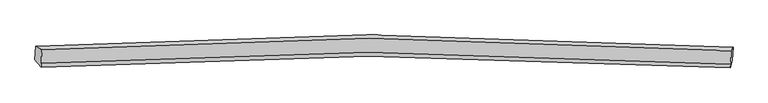
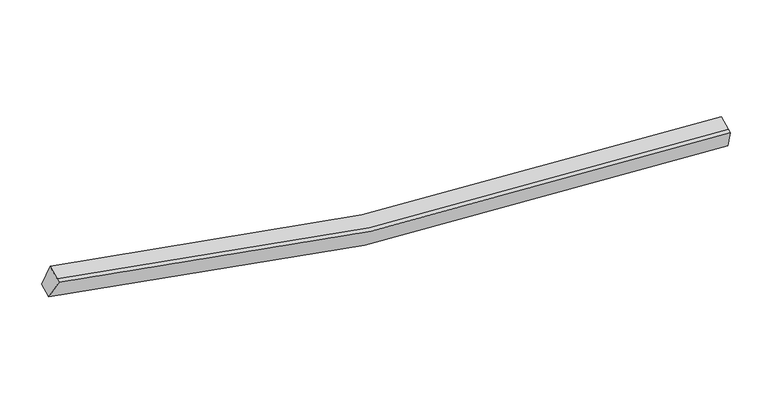
"""IFC4 building model written with IfcOpenShell, lengths in millimetres: proxy geometry."""

from ifc_helpers import new_model, si_unit, frame, origin, place, context, project, spatial, source, transform, mapped, element, save
from ifc_brep_helpers import plane_surface, spline_curve, spline_surface, advanced_brep


def generic_models_3e9f9e43(model_context):
    return source(origin(), model_context, "Body", "AdvancedBrep", [
        advanced_brep(
        [(-11231.3279653, -1850.9650412, 4516.9888659), (-11015.6503301, -1966.691675, 5189.7656826), (12378.051656, -1995.9944435, 2520.687822), (12439.7545084, -1880.5263032, 1816.8426631), (-11036.4678191, -2424.3415398, 5007.7132989), (12357.234167, -2453.6443084, 2338.6354383), (-11042.3798339, -2554.3107595, 4956.0117514), (12351.3221521, -2583.613528, 2286.9338907), (-11251.7178009, -2299.2134122, 4338.6763814), (12419.3646727, -2328.7746742, 1638.5301785)],
        [
            (0, 1),
            (1, 2, spline_curve(3, [(-11015.6503301, -1966.691675, 5189.7656826), (-7348.398685921, -1716.44394543, 4158.860214155), (-3647.214905469, -1588.400609641, 3417.691487334), (4144.591469336, -1576.22002225, 2475.961512101), (8241.308351683, -1714.030947557, 2327.437617874), (12378.051656, -1995.9944435, 2520.687822)], [4, 2, 4], [0.0, 37.3927296433757, 78.00478374626638])),
            (2, 3),
            (3, 0, spline_curve(3, [(12439.7545084, -1880.5263032, 1816.8426631), (8253.118433288, -1594.89371529, 1620.074147381), (4107.422358571, -1455.300601676, 1769.718628856), (-3776.705082945, -1467.682319201, 2722.511021506), (-7521.369831571, -1597.421678474, 3472.915274744), (-11231.3279653, -1850.9650412, 4516.9888659)], [4, 2, 4], [0.0, 40.61205410289068, 78.00478374626638])),
            (1, 4),
            (4, 5, spline_curve(3, [(-11036.4678191, -2424.3415398, 5007.7132989), (-7369.621723874, -2183.009373098, 3973.26123403), (-3668.64908822, -2059.6077956, 3230.246023545), (4123.122372763, -2048.19479193, 2288.210703446), (8220.050398066, -2181.36396009, 2141.533294287), (12357.234167, -2453.6443084, 2338.6354383)], [4, 2, 4], [0.0, 37.172133146453405, 77.5445985123527])),
            (5, 2),
            (4, 6),
            (6, 7, spline_curve(3, [(-11042.3798339, -2554.3107595, 4956.0117514), (-7375.533739154, -2312.978593132, 3921.559686946), (-3674.561102558, -2189.577014943, 3178.544476344), (4117.210357252, -2178.16401181, 2236.509155412), (8214.138382919, -2311.333178797, 2089.831746765), (12351.3221521, -2583.613528, 2286.9338907)], [4, 2, 4], [0.0, 37.17212297980655, 77.54457730376225])),
            (7, 5),
            (6, 8),
            (8, 9, spline_curve(3, [(-11251.7178009, -2299.2134122, 4338.6763814), (-7542.165215392, -2054.585612052, 3291.056193472), (-3797.71161075, -1929.488010275, 2538.805456558), (4086.380913511, -1917.873878527, 1585.70771979), (8232.288132782, -2052.825233766, 1437.909723356), (12419.3646727, -2328.7746742, 1638.5301785)], [4, 2, 4], [0.0, 37.39269453540855, 78.0047105077141])),
            (9, 7),
            (8, 0),
            (3, 9),
        ],
        [
            spline_surface(3, 3, [[(-11231.3279653, -1850.9650412, 4516.9888659), (-7521.369830988, -1597.421678508, 3472.915274964), (-3776.705082386, -1467.682318992, 2722.511021577), (4107.422357964, -1455.300601903, 1769.718628779), (8253.118433955, -1594.893715431, 1620.074147947), (12439.7545084, -1880.5263032, 1816.8426631)], [(-11159.435420231, -1889.540585792, 4741.247804802), (-7463.712782606, -1637.095767602, 3701.563588078), (-3733.541690247, -1507.921749351, 2954.23784359), (4119.812061947, -1495.60707524, 2005.13292311), (8249.181740002, -1634.606126008, 1855.861971406), (12419.186890931, -1919.015683308, 2051.45771608)], [(-11087.542875169, -1928.116130408, 4965.506743698), (-7406.055734231, -1676.769856718, 3930.211901188), (-3690.378298125, -1548.161179648, 3185.964665615), (4132.201765914, -1535.913548516, 2240.547217452), (8245.245046055, -1674.318536563, 2091.649794824), (12398.619273469, -1957.505063392, 2286.07276902)], [(-11015.6503301, -1966.691675, 5189.7656826), (-7348.398685849, -1716.443945812, 4158.860214302), (-3647.214905986, -1588.400610007, 3417.691487627), (4144.591469897, -1576.220021853, 2475.961511783), (8241.308352103, -1714.03094714, 2327.437618282), (12378.051656, -1995.9944435, 2520.687822)]], [4, 4], [4, 2, 4], [0.0, 2.3487833756499947], [0.0, 37.3927296433757, 78.00478374626638]),
            spline_surface(3, 3, [[(-11015.6503301, -1966.691675, 5189.7656826), (-7348.398685849, -1716.443945812, 4158.860214302), (-3647.214905986, -1588.400610007, 3417.691487627), (4144.591469897, -1576.220021853, 2475.961511783), (8241.308352103, -1714.03094714, 2327.437618282), (12378.051656, -1995.9944435, 2520.687822)], [(-11022.589493109, -2119.241629939, 5129.08155469), (-7355.473031993, -1871.965755002, 4096.993887528), (-3654.359633259, -1745.469671812, 3355.209666239), (4137.435104042, -1733.544945243, 2413.377909066), (8234.222367376, -1869.808617915, 2265.469510179), (12371.112492991, -2148.544398439, 2460.00369409)], [(-11029.528656091, -2271.791584861, 5068.39742681), (-7362.54737811, -2027.487564175, 4035.127560783), (-3661.504360541, -1902.538733665, 3292.727844805), (4130.278738178, -1890.869868681, 2350.794306302), (8227.136382677, -2025.586288774, 2203.501402105), (12364.173330009, -2301.094353461, 2399.31956621)], [(-11036.4678191, -2424.3415398, 5007.7132989), (-7369.621724253, -2183.009373365, 3973.261234009), (-3668.649087814, -2059.60779547, 3230.246023417), (4123.122372322, -2048.194792072, 2288.210703585), (8220.050397951, -2181.363959549, 2141.533294002), (12357.234167, -2453.6443084, 2338.6354383)]], [4, 4], [4, 2, 4], [0.0, 1.6666535922618289], [0.0, 37.172133146453405, 77.5445985123527]),
            spline_surface(3, 3, [[(-11036.4678191, -2424.3415398, 5007.7132989), (-7369.621724253, -2183.009373365, 3973.261234009), (-3668.649087814, -2059.60779547, 3230.246023417), (4123.122372322, -2048.194792072, 2288.210703585), (8220.050397951, -2181.363959549, 2141.533294002), (12357.234167, -2453.6443084, 2338.6354383)], [(-11038.438490722, -2467.664613021, 4990.479449714), (-7371.592395875, -2226.332446587, 3956.027384822), (-3670.619759436, -2102.930868692, 3213.01217423), (4121.1517007, -2091.517865293, 2270.976854399), (8218.079726329, -2224.68703277, 2124.299444815), (12355.263495378, -2496.967381621, 2321.401589114)], [(-11040.409162278, -2510.987686279, 4973.245600586), (-7373.563067431, -2269.655519844, 3938.793535695), (-3672.590431092, -2146.253941849, 3195.778325003), (4119.181029044, -2134.84093845, 2253.743005172), (8216.109054673, -2268.010105928, 2107.065595588), (12353.292823722, -2540.290454779, 2304.167739886)], [(-11042.3798339, -2554.3107595, 4956.0117514), (-7375.533739053, -2312.978593065, 3921.559686509), (-3674.561102714, -2189.57701507, 3178.544475817), (4117.210357422, -2178.164011672, 2236.509155985), (8214.138383051, -2311.333179149, 2089.831746402), (12351.3221521, -2583.613528, 2286.9338907)]], [4, 4], [4, 2, 4], [0.0, 0.4593175853018442], [0.0, 37.17212297980655, 77.54457730376225]),
            spline_surface(3, 3, [[(-11042.3798339, -2554.3107595, 4956.0117514), (-7375.533739053, -2312.978593065, 3921.559686509), (-3674.561102714, -2189.57701507, 3178.544475817), (4117.210357422, -2178.164011672, 2236.509155985), (8214.138383051, -2311.333179149, 2089.831746402), (12351.3221521, -2583.613528, 2286.9338907)], [(-11112.159156233, -2469.278310412, 4750.23329475), (-7431.077564699, -2226.847599476, 3711.391855646), (-3715.611272116, -2102.880680216, 2965.298136055), (4106.933876175, -2091.400633839, 2019.575343906), (8220.18829974, -2225.163864076, 1872.524405194), (12374.002992305, -2498.667243397, 2070.799319971)], [(-11181.938478567, -2384.245861288, 4544.45483805), (-7486.621390346, -2140.716605851, 3501.224024733), (-3756.661441511, -2016.18434541, 2752.051796328), (4096.657394936, -2004.637256055, 1802.64153186), (8226.238216415, -2138.994549014, 1655.217063973), (12396.683832495, -2413.720958803, 1854.664749229)], [(-11251.7178009, -2299.2134122, 4338.6763814), (-7542.165215992, -2054.585612262, 3291.05619387), (-3797.711610913, -1929.488010556, 2538.805456567), (4086.380913689, -1917.873878222, 1585.707719781), (8232.288133104, -2052.825233941, 1437.909722766), (12419.3646727, -2328.7746742, 1638.5301785)]], [4, 4], [4, 2, 4], [0.0, 2.296559342366443], [0.0, 37.39269453540855, 78.0047105077141]),
            spline_surface(3, 3, [[(-11251.7178009, -2299.2134122, 4338.6763814), (-7542.165215992, -2054.585612262, 3291.05619387), (-3797.711610913, -1929.488010556, 2538.805456567), (4086.380913689, -1917.873878222, 1585.707719781), (8232.288133104, -2052.825233941, 1437.909722766), (12419.3646727, -2328.7746742, 1638.5301785)], [(-11244.921189005, -2149.797288535, 4398.113876245), (-7535.233420962, -1902.197634346, 3351.675887579), (-3790.709434755, -1775.552780025, 2600.04064489), (4093.39472843, -1763.682786106, 1647.044689433), (8239.231566715, -1900.18139444, 1498.631197804), (12426.161284595, -2179.358550535, 1697.967673345)], [(-11238.124577195, -2000.381164865, 4457.551371055), (-7528.301626017, -1749.809656424, 3412.295581254), (-3783.707258544, -1621.617549523, 2661.275833254), (4100.408543223, -1609.491694019, 1708.381659127), (8246.175000343, -1747.537554933, 1559.352672908), (12432.957896505, -2029.942426865, 1757.405168255)], [(-11231.3279653, -1850.9650412, 4516.9888659), (-7521.369830988, -1597.421678508, 3472.915274964), (-3776.705082386, -1467.682318992, 2722.511021577), (4107.422357964, -1455.300601903, 1769.718628779), (8253.118433955, -1594.893715431, 1620.074147947), (12439.7545084, -1880.5263032, 1816.8426631)]], [4, 4], [4, 2, 4], [0.0, 1.6334282528157413], [0.0, 37.613276349094534, 78.46486511100294]),
            plane_surface(frame((12397.1232473, -2197.2272373, 2065.7486386), z_axis=(0.9943682410271331, -0.07501302042017417, 0.07486553281749847), x_axis=(0.09720360087771, 0.3640555054428625, -0.9262910174092961))),
            plane_surface(frame((-11135.2689826, -2167.795222, 4750.3606703), z_axis=(-0.9533012646486128, -0.0731979691055353, 0.29301664822699197), x_axis=(-0.04222867761381029, -0.928351569032005, -0.36929676828101743))),
        ],
        [
            (0, [[1, 2, 3, 4]]),
            (1, [[5, 6, 7, -2]]),
            (2, [[8, 9, 10, -6]]),
            (3, [[11, 12, 13, -9]]),
            (4, [[14, -4, 15, -12]]),
            (5, [[-13, -15, -3, -7, -10]]),
            (6, [[-14, -11, -8, -5, -1]]),
        ],
    ),
    ])


if __name__ == "__main__":
    model = new_model("IFC4")
    model_context = context("Model", 3, world=origin())
    ifc_project = project(units=[si_unit("LENGTHUNIT", "METRE", prefix="MILLI")], contexts=[model_context])
    site = spatial("IfcSite", under=ifc_project)
    building = spatial("IfcBuilding", under=site)
    placement = place(None, origin())
    generic_models_shape = generic_models_3e9f9e43(model_context)
    element("IfcBuildingElementProxy", 1, Name="Generic Models", at=placement, inside=building, context=model_context, shape_type="MappedRepresentation", body=[
        mapped(generic_models_shape, transform((0.0, 0.0, 0.0), x_axis=(1.0, 0.0, 0.0), y_axis=(0.0, 1.0, 0.0), z_axis=(0.0, 0.0, 1.0))),
    ])
    save(model, "model.ifc")
